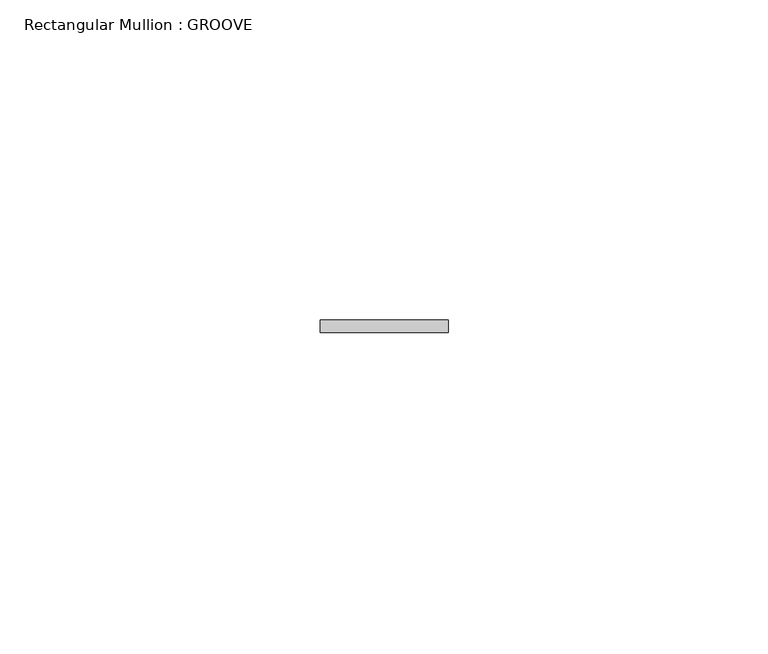
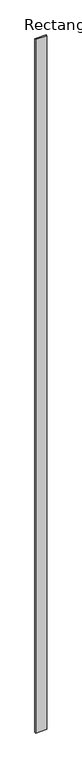
"""IFC4 building model written with IfcOpenShell, lengths in millimetres: member geometry, Rectangular Mullion : GROOVE."""

from ifc_helpers import new_model, si_unit, frame, origin, place, context, project, spatial, polyline, outline, extrude, source, transform, mapped, element, save


def rectangular_mullion_groove_fd7a95b7(model_context):
    return source(origin(), model_context, "Body", "SweptSolid", [
        extrude(outline(polyline([(10.0, 51.0), (10.0, 49.0), (-10.0, 49.0), (-10.0, 51.0), (10.0, 51.0)])), frame((0.0, 0.0, -1300.0), z_axis=(0.0, 0.0, 1.0), x_axis=(1.0, 0.0, 0.0)), (0.0, 0.0, 1.0), 1300.0),
    ])


if __name__ == "__main__":
    model = new_model("IFC4")
    model_context = context("Model", 3, world=origin())
    ifc_project = project(units=[si_unit("LENGTHUNIT", "METRE", prefix="MILLI")], contexts=[model_context])
    site = spatial("IfcSite", under=ifc_project)
    building = spatial("IfcBuilding", under=site)
    placement = place(None, origin())
    rectangular_mullion_groove_shape = rectangular_mullion_groove_fd7a95b7(model_context)
    element("IfcMember", 1, ObjectType="Rectangular Mullion : GROOVE", at=placement, inside=building, context=model_context, shape_type="MappedRepresentation", body=[
        mapped(rectangular_mullion_groove_shape, transform((0.0, 0.0, 0.0), x_axis=(1.0, 0.0, 0.0), y_axis=(0.0, 1.0, 0.0), z_axis=(0.0, 0.0, 1.0))),
    ])
    save(model, "model.ifc")
